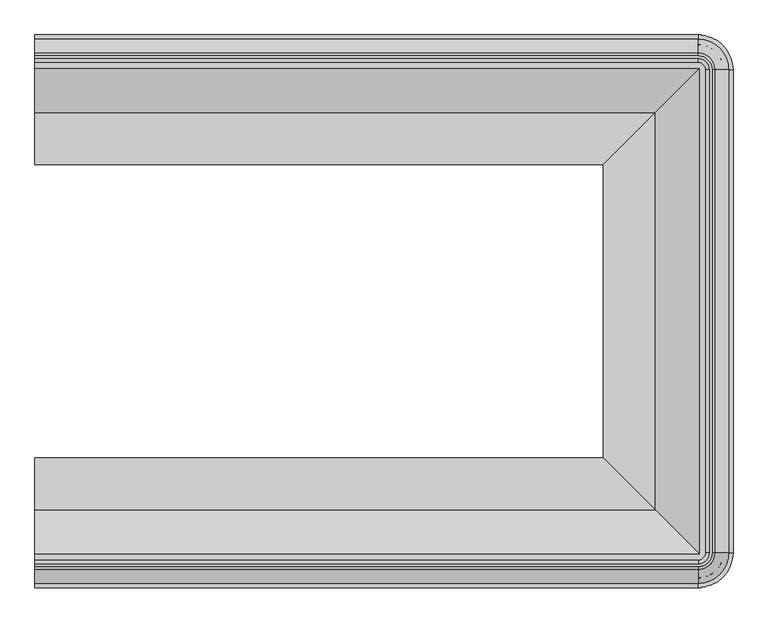
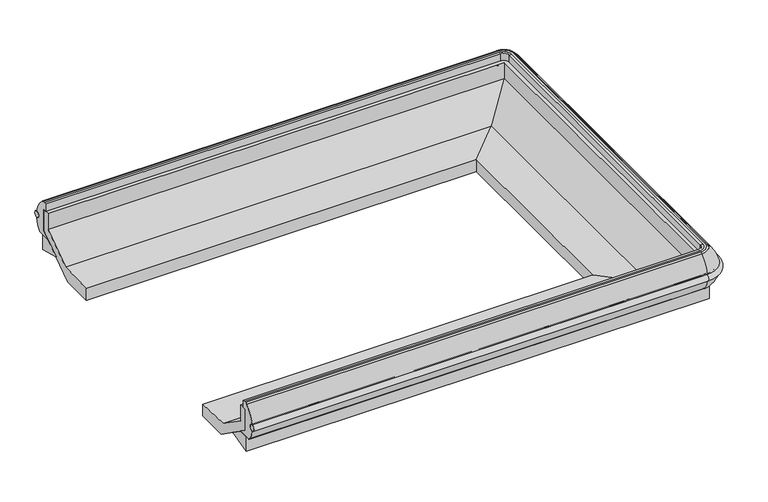
"""IFC4 building model written with IfcOpenShell, lengths in millimetres: proxy geometry."""

from ifc_helpers import new_model, si_unit, point, frame, origin, place, context, project, spatial, polyline, circle_curve, ellipse_curve, trimmed, faceted_brep, source, transform, mapped, element, save
from ifc_brep_helpers import plane_surface, cylinder_surface, revolved_surface, advanced_brep


def mechanical_equipment_aa57915c(model_context):
    return source(origin(), model_context, "Body", "SolidModel", [
        advanced_brep(
        [(0.0, -365.6059435, 602.247843), (0.0, -364.7243169, 567.3458826), (0.0, -2361.2333111, 602.247843), (0.0, -2362.1149377, 567.3458826), (2432.1002227, -365.6059435, 602.247843), (2432.1002227, -364.7243169, 567.3458826), (2544.9203104, -477.5444046, 567.3458826), (2544.0386838, -477.5444046, 602.247843), (2544.0386838, -2249.29485, 602.247843), (2544.9203104, -2249.29485, 567.3458826), (2432.1002227, -2362.1149377, 567.3458826), (2432.1002227, -2361.2333111, 602.247843)],
        [
            (0, 1, circle_curve(frame((0.0, -366.3246731, 584.7675726), z_axis=(-1.0, 0.0, 0.0), x_axis=(0.0, 1.0, 0.0)), 17.49504)),
            (1, 0, circle_curve(frame((0.0, -366.2319692, 584.7699144), z_axis=(-1.0, 0.0, 0.0), x_axis=(0.0, 1.0, 0.0)), 17.4891366)),
            (2, 3, circle_curve(frame((0.0, -2360.6072854, 584.7699144), z_axis=(-1.0, 0.0, 0.0), x_axis=(0.0, -1.0, 0.0)), 17.4891366)),
            (3, 2, circle_curve(frame((0.0, -2360.5145815, 584.7675726), z_axis=(-1.0, 0.0, 0.0), x_axis=(0.0, -1.0, 0.0)), 17.49504)),
            (0, 4),
            (4, 5, circle_curve(frame((2432.1002227, -366.3246731, 584.7675726), z_axis=(-1.0, 0.0, 0.0), x_axis=(0.0, 1.0, 0.0)), 17.49504)),
            (5, 1),
            (5, 4, circle_curve(frame((2432.1002227, -366.2319692, 584.7699144), z_axis=(-1.0, 0.0, 0.0), x_axis=(0.0, 1.0, 0.0)), 17.4891366)),
            (6, 5, circle_curve(frame((2432.1002227, -477.5444046, 567.3458826), z_axis=(0.0, 0.0, 1.0), x_axis=(0.0, 1.0, 0.0)), 112.8200877)),
            (4, 7, circle_curve(frame((2432.1002227, -477.5444046, 602.247843), z_axis=(0.0, 0.0, -1.0), x_axis=(0.0, 1.0, 0.0)), 111.9384611)),
            (7, 6, circle_curve(frame((2543.3199542, -477.5444046, 584.7675726), z_axis=(0.0, 1.0, 0.0), x_axis=(1.0, 0.0, 0.0)), 17.49504)),
            (6, 7, circle_curve(frame((2543.4126581, -477.5444046, 584.7699144), z_axis=(0.0, 1.0, 0.0), x_axis=(1.0, 0.0, 0.0)), 17.4891366)),
            (7, 8),
            (8, 9, circle_curve(frame((2543.3199542, -2249.29485, 584.7675726), z_axis=(0.0, 1.0, 0.0), x_axis=(1.0, 0.0, 0.0)), 17.49504)),
            (9, 6),
            (9, 8, circle_curve(frame((2543.4126581, -2249.29485, 584.7699144), z_axis=(0.0, 1.0, 0.0), x_axis=(1.0, 0.0, 0.0)), 17.4891366)),
            (10, 9, circle_curve(frame((2432.1002227, -2249.29485, 567.3458826), z_axis=(0.0, 0.0, 1.0), x_axis=(1.0, 0.0, 0.0)), 112.8200877)),
            (8, 11, circle_curve(frame((2432.1002227, -2249.29485, 602.247843), z_axis=(0.0, 0.0, -1.0), x_axis=(1.0, 0.0, 0.0)), 111.9384611)),
            (11, 10, circle_curve(frame((2432.1002227, -2360.5145815, 584.7675726), z_axis=(1.0, 0.0, 0.0), x_axis=(0.0, -1.0, 0.0)), 17.49504)),
            (10, 11, circle_curve(frame((2432.1002227, -2360.6072854, 584.7699144), z_axis=(1.0, 0.0, 0.0), x_axis=(0.0, -1.0, 0.0)), 17.4891366)),
            (11, 2),
            (3, 10),
        ],
        [
            plane_surface(frame((0.0, -401.3444046, 0.0), z_axis=(-1.0, 0.0, 0.0), x_axis=(0.0, 0.0, 1.0))),
            plane_surface(frame((0.0, -2325.49485, 0.0), z_axis=(-1.0, 0.0, 0.0), x_axis=(0.0, 0.0, 1.0))),
            cylinder_surface(frame((0.0, -366.3246731, 584.7675726), z_axis=(-1.0, 0.0, 0.0), x_axis=(0.0, 1.0, 0.0)), 17.49504),
            cylinder_surface(frame((0.0, -366.2319692, 584.7699144), z_axis=(-1.0, 0.0, 0.0), x_axis=(0.0, 1.0, 0.0)), 17.4891366),
            revolved_surface(trimmed(ellipse_curve(frame((2432.1002227, -366.3246731, 584.7675726), z_axis=(-1.0, 0.0, 0.0), x_axis=(0.0, 1.0, 0.0)), 17.49504, 17.49504), [point((2432.1002227, -365.6059435, 602.247843))], [point((2432.1002227, -364.7243169, 567.3458826))], True, "CARTESIAN"), (2432.1002227, -477.5444046, 0.0), (0.0, 0.0, -1.0)),
            revolved_surface(trimmed(ellipse_curve(frame((2432.1002227, -366.2319692, 584.7699144), z_axis=(-1.0, 0.0, 0.0), x_axis=(0.0, 1.0, 0.0)), 17.4891366, 17.4891366), [point((2432.1002227, -364.7243169, 567.3458826))], [point((2432.1002227, -365.6059435, 602.247843))], True, "CARTESIAN"), (2432.1002227, -477.5444046, 0.0), (0.0, 0.0, -1.0)),
            cylinder_surface(frame((2543.3199542, -477.5444046, 584.7675726), z_axis=(0.0, 1.0, 0.0), x_axis=(1.0, 0.0, 0.0)), 17.49504),
            cylinder_surface(frame((2543.4126581, -477.5444046, 584.7699144), z_axis=(0.0, 1.0, 0.0), x_axis=(1.0, 0.0, 0.0)), 17.4891366),
            revolved_surface(trimmed(ellipse_curve(frame((2543.3199542, -2249.29485, 584.7675726), z_axis=(0.0, 1.0, 0.0), x_axis=(1.0, 0.0, 0.0)), 17.49504, 17.49504), [point((2544.0386838, -2249.29485, 602.247843))], [point((2544.9203104, -2249.29485, 567.3458826))], True, "CARTESIAN"), (2432.1002227, -2249.29485, 0.0), (0.0, 0.0, -1.0)),
            revolved_surface(trimmed(ellipse_curve(frame((2543.4126581, -2249.29485, 584.7699144), z_axis=(0.0, 1.0, 0.0), x_axis=(1.0, 0.0, 0.0)), 17.4891366, 17.4891366), [point((2544.9203104, -2249.29485, 567.3458826))], [point((2544.0386838, -2249.29485, 602.247843))], True, "CARTESIAN"), (2432.1002227, -2249.29485, 0.0), (0.0, 0.0, -1.0)),
            cylinder_surface(frame((2432.1002227, -2360.5145815, 584.7675726), z_axis=(1.0, 0.0, 0.0), x_axis=(0.0, -1.0, 0.0)), 17.49504),
            cylinder_surface(frame((2432.1002227, -2360.6072854, 584.7699144), z_axis=(1.0, 0.0, 0.0), x_axis=(0.0, -1.0, 0.0)), 17.4891366),
        ],
        [
            (0, [[1, 2]]),
            (1, [[3, 4]]),
            (2, [[-1, 5, 6, 7]]),
            (3, [[-2, -7, 8, -5]]),
            (4, [[9, -6, 10, 11]]),
            (5, [[-10, -8, -9, 12]]),
            (6, [[-11, 13, 14, 15]]),
            (7, [[-12, -15, 16, -13]]),
            (8, [[17, -14, 18, 19]]),
            (9, [[-18, -16, -17, 20]]),
            (10, [[-19, 21, -4, 22]]),
            (11, [[-20, -22, -3, -21]]),
        ],
    ),
        advanced_brep(
        [(0.0, -2333.0315958, 504.5537563), (0.0, -2363.034468, 567.4500216), (0.0, -2362.8248409, 602.1178925), (0.0, -2311.7516931, 687.0777092), (0.0, -2300.9652704, 691.305018), (0.0, -2291.4402704, 691.305018), (0.0, -2277.3254027, 690.9426532), (0.0, -2277.3254027, 650.3352408), (0.0, -2294.2214353, 650.3352408), (0.0, -2294.2214353, 529.925931), (0.0, -2254.9980473, 502.405218), (0.0, -2328.2702704, 502.405218), (0.0, -393.8076588, 504.5537563), (0.0, -398.5689842, 502.405218), (0.0, -471.8412073, 502.405218), (0.0, -432.6178193, 529.925931), (0.0, -432.6178193, 650.3352408), (0.0, -449.5138519, 650.3352408), (0.0, -449.5138519, 690.9426532), (0.0, -435.3989842, 691.305018), (0.0, -425.8739842, 691.305018), (0.0, -415.0875615, 687.0777092), (0.0, -364.0144137, 602.1178925), (0.0, -363.8047866, 567.4500216), (2432.1002227, -2333.0315958, 504.5537563), (2432.1002227, -2363.034468, 567.4500216), (2432.1002227, -2362.8248409, 602.1178925), (2432.1002227, -2311.7516931, 687.0777092), (2432.1002227, -2300.9652704, 691.305018), (2483.7706431, -2249.29485, 691.305018), (2483.7706431, -477.5444046, 691.305018), (2432.1002227, -425.8739842, 691.305018), (2432.1002227, -435.3989842, 691.305018), (2474.2456431, -477.5444046, 691.305018), (2474.2456431, -2249.29485, 691.305018), (2432.1002227, -2291.4402704, 691.305018), (2432.1002227, -2277.3254027, 690.9426532), (2432.1002227, -2277.3254027, 650.3352408), (2460.1307754, -2249.29485, 650.3352408), (2460.1307754, -477.5444046, 650.3352408), (2432.1002227, -449.5138519, 650.3352408), (2432.1002227, -432.6178193, 650.3352408), (2477.026808, -477.5444046, 650.3352408), (2477.026808, -2249.29485, 650.3352408), (2432.1002227, -2294.2214353, 650.3352408), (2432.1002227, -2294.2214353, 529.925931), (2432.1002227, -2254.9980473, 502.405218), (2437.80342, -2249.29485, 502.405218), (2437.80342, -477.5444046, 502.405218), (2432.1002227, -471.8412073, 502.405218), (2432.1002227, -398.5689842, 502.405218), (2511.0756431, -477.5444046, 502.405218), (2511.0756431, -2249.29485, 502.405218), (2432.1002227, -2328.2702704, 502.405218), (2545.8398407, -2249.29485, 567.4500216), (2515.8369685, -2249.29485, 504.5537563), (2545.6302136, -2249.29485, 602.1178925), (2494.5570658, -2249.29485, 687.0777092), (2460.1307754, -2249.29485, 690.9426532), (2477.026808, -2249.29485, 529.925931), (2515.8369685, -477.5444046, 504.5537563), (2545.8398407, -477.5444046, 567.4500216), (2545.6302136, -477.5444046, 602.1178925), (2494.5570658, -477.5444046, 687.0777092), (2460.1307754, -477.5444046, 690.9426532), (2477.026808, -477.5444046, 529.925931), (2432.1002227, -363.8047866, 567.4500216), (2432.1002227, -393.8076588, 504.5537563), (2432.1002227, -364.0144137, 602.1178925), (2432.1002227, -415.0875615, 687.0777092), (2432.1002227, -449.5138519, 690.9426532), (2432.1002227, -432.6178193, 529.925931)],
        [
            (0, 1, circle_curve(frame((0.0, -2237.8050879, 588.5829906), z_axis=(-1.0, 0.0, 0.0), x_axis=(0.0, 1.0, 0.0)), 127.0)),
            (1, 2, circle_curve(frame((0.0, -2360.6072854, 584.7699144), z_axis=(1.0, 0.0, 0.0), x_axis=(0.0, 1.0, 0.0)), 17.4891366)),
            (2, 3, circle_curve(frame((0.0, -2190.9437587, 556.623568), z_axis=(-1.0, 0.0, 0.0), x_axis=(0.0, 1.0, 0.0)), 177.7999999)),
            (3, 4, circle_curve(frame((0.0, -2300.9652704, 675.430018), z_axis=(-1.0, 0.0, 0.0), x_axis=(0.0, 1.0, 0.0)), 15.875)),
            (4, 5),
            (5, 6),
            (6, 7),
            (7, 8),
            (8, 9),
            (9, 10),
            (10, 11),
            (11, 0, circle_curve(frame((0.0, -2328.2702704, 508.755218), z_axis=(-1.0, 0.0, 0.0), x_axis=(0.0, 1.0, 0.0)), 6.35)),
            (12, 13, circle_curve(frame((0.0, -398.5689842, 508.755218), z_axis=(-1.0, 0.0, 0.0), x_axis=(0.0, -1.0, 0.0)), 6.35)),
            (13, 14),
            (14, 15),
            (15, 16),
            (16, 17),
            (17, 18),
            (18, 19),
            (19, 20),
            (20, 21, circle_curve(frame((0.0, -425.8739842, 675.430018), z_axis=(-1.0, 0.0, 0.0), x_axis=(0.0, -1.0, 0.0)), 15.875)),
            (21, 22, circle_curve(frame((0.0, -535.8954959, 556.623568), z_axis=(-1.0, 0.0, 0.0), x_axis=(0.0, -1.0, 0.0)), 177.7999999)),
            (22, 23, circle_curve(frame((0.0, -366.2319692, 584.7699144), z_axis=(1.0, 0.0, 0.0), x_axis=(0.0, -1.0, 0.0)), 17.4891366)),
            (23, 12, circle_curve(frame((0.0, -489.0341667, 588.5829906), z_axis=(-1.0, 0.0, 0.0), x_axis=(0.0, -1.0, 0.0)), 127.0)),
            (0, 24),
            (24, 25, circle_curve(frame((2432.1002227, -2237.8050879, 588.5829906), z_axis=(-1.0, 0.0, 0.0), x_axis=(0.0, 1.0, 0.0)), 127.0)),
            (25, 1),
            (25, 26, circle_curve(frame((2432.1002227, -2360.6072854, 584.7699144), z_axis=(1.0, 0.0, 0.0), x_axis=(0.0, 1.0, 0.0)), 17.4891366)),
            (26, 2),
            (26, 27, circle_curve(frame((2432.1002227, -2190.9437587, 556.623568), z_axis=(-1.0, 0.0, 0.0), x_axis=(0.0, 1.0, 0.0)), 177.7999999)),
            (27, 3),
            (27, 28, circle_curve(frame((2432.1002227, -2300.9652704, 675.430018), z_axis=(-1.0, 0.0, 0.0), x_axis=(0.0, 1.0, 0.0)), 15.875)),
            (28, 4),
            (28, 29, circle_curve(frame((2432.1002227, -2249.29485, 691.305018), z_axis=(0.0, 0.0, 1.0), x_axis=(0.0, -1.0, 0.0)), 51.6704204)),
            (29, 30),
            (30, 31, circle_curve(frame((2432.1002227, -477.5444046, 691.305018), z_axis=(0.0, 0.0, 1.0), x_axis=(1.0, 0.0, 0.0)), 51.6704204)),
            (31, 20),
            (19, 32),
            (32, 33, circle_curve(frame((2432.1002227, -477.5444046, 691.305018), z_axis=(0.0, 0.0, -1.0), x_axis=(1.0, 0.0, 0.0)), 42.1454204)),
            (33, 34),
            (34, 35, circle_curve(frame((2432.1002227, -2249.29485, 691.305018), z_axis=(0.0, 0.0, -1.0), x_axis=(0.0, -1.0, 0.0)), 42.1454204)),
            (35, 5),
            (35, 36),
            (36, 6),
            (36, 37),
            (37, 7),
            (37, 38, circle_curve(frame((2432.1002227, -2249.29485, 650.3352408), z_axis=(0.0, 0.0, 1.0), x_axis=(0.0, -1.0, 0.0)), 28.0305527)),
            (38, 39),
            (39, 40, circle_curve(frame((2432.1002227, -477.5444046, 650.3352408), z_axis=(0.0, 0.0, 1.0), x_axis=(1.0, 0.0, 0.0)), 28.0305527)),
            (40, 17),
            (16, 41),
            (41, 42, circle_curve(frame((2432.1002227, -477.5444046, 650.3352408), z_axis=(0.0, 0.0, -1.0), x_axis=(1.0, 0.0, 0.0)), 44.9265852)),
            (42, 43),
            (43, 44, circle_curve(frame((2432.1002227, -2249.29485, 650.3352408), z_axis=(0.0, 0.0, -1.0), x_axis=(0.0, -1.0, 0.0)), 44.9265852)),
            (44, 8),
            (44, 45),
            (45, 9),
            (45, 46),
            (46, 10),
            (46, 47, circle_curve(frame((2432.1002227, -2249.29485, 502.405218), z_axis=(0.0, 0.0, 1.0), x_axis=(0.0, -1.0, 0.0)), 5.7031973)),
            (47, 48),
            (48, 49, circle_curve(frame((2432.1002227, -477.5444046, 502.405218), z_axis=(0.0, 0.0, 1.0), x_axis=(1.0, 0.0, 0.0)), 5.7031973)),
            (49, 14),
            (13, 50),
            (50, 51, circle_curve(frame((2432.1002227, -477.5444046, 502.405218), z_axis=(0.0, 0.0, -1.0), x_axis=(1.0, 0.0, 0.0)), 78.9754204)),
            (51, 52),
            (52, 53, circle_curve(frame((2432.1002227, -2249.29485, 502.405218), z_axis=(0.0, 0.0, -1.0), x_axis=(0.0, -1.0, 0.0)), 78.9754204)),
            (53, 11),
            (53, 24, circle_curve(frame((2432.1002227, -2328.2702704, 508.755218), z_axis=(-1.0, 0.0, 0.0), x_axis=(0.0, 1.0, 0.0)), 6.35)),
            (54, 25, circle_curve(frame((2432.1002227, -2249.29485, 567.4500216), z_axis=(0.0, 0.0, -1.0), x_axis=(0.0, -1.0, 0.0)), 113.739618)),
            (24, 55, circle_curve(frame((2432.1002227, -2249.29485, 504.5537563), z_axis=(0.0, 0.0, 1.0), x_axis=(0.0, -1.0, 0.0)), 83.7367458)),
            (55, 54, circle_curve(frame((2420.6104606, -2249.29485, 588.5829906), z_axis=(0.0, -1.0, 0.0), x_axis=(-1.0, 0.0, 0.0)), 127.0)),
            (56, 26, circle_curve(frame((2432.1002227, -2249.29485, 602.1178925), z_axis=(0.0, 0.0, -1.0), x_axis=(0.0, -1.0, 0.0)), 113.5299909)),
            (54, 56, circle_curve(frame((2543.4126581, -2249.29485, 584.7699144), z_axis=(0.0, 1.0, 0.0), x_axis=(-1.0, 0.0, 0.0)), 17.4891366)),
            (57, 27, circle_curve(frame((2432.1002227, -2249.29485, 687.0777092), z_axis=(0.0, 0.0, -1.0), x_axis=(0.0, -1.0, 0.0)), 62.4568431)),
            (56, 57, circle_curve(frame((2373.7491314, -2249.29485, 556.623568), z_axis=(0.0, -1.0, 0.0), x_axis=(-1.0, 0.0, 0.0)), 177.7999999)),
            (57, 29, circle_curve(frame((2483.7706431, -2249.29485, 675.430018), z_axis=(0.0, -1.0, 0.0), x_axis=(-1.0, 0.0, 0.0)), 15.875)),
            (58, 36, circle_curve(frame((2432.1002227, -2249.29485, 690.9426532), z_axis=(0.0, 0.0, -1.0), x_axis=(0.0, -1.0, 0.0)), 28.0305527)),
            (34, 58),
            (58, 38),
            (59, 45, circle_curve(frame((2432.1002227, -2249.29485, 529.925931), z_axis=(0.0, 0.0, -1.0), x_axis=(0.0, -1.0, 0.0)), 44.9265852)),
            (43, 59),
            (59, 47),
            (52, 55, circle_curve(frame((2511.0756431, -2249.29485, 508.755218), z_axis=(0.0, -1.0, 0.0), x_axis=(-1.0, 0.0, 0.0)), 6.35)),
            (55, 60),
            (60, 61, circle_curve(frame((2420.6104606, -477.5444046, 588.5829906), z_axis=(0.0, -1.0, 0.0), x_axis=(-1.0, 0.0, 0.0)), 127.0)),
            (61, 54),
            (61, 62, circle_curve(frame((2543.4126581, -477.5444046, 584.7699144), z_axis=(0.0, 1.0, 0.0), x_axis=(-1.0, 0.0, 0.0)), 17.4891366)),
            (62, 56),
            (62, 63, circle_curve(frame((2373.7491314, -477.5444046, 556.623568), z_axis=(0.0, -1.0, 0.0), x_axis=(-1.0, 0.0, 0.0)), 177.7999999)),
            (63, 57),
            (63, 30, circle_curve(frame((2483.7706431, -477.5444046, 675.430018), z_axis=(0.0, -1.0, 0.0), x_axis=(-1.0, 0.0, 0.0)), 15.875)),
            (33, 64),
            (64, 58),
            (64, 39),
            (42, 65),
            (65, 59),
            (65, 48),
            (51, 60, circle_curve(frame((2511.0756431, -477.5444046, 508.755218), z_axis=(0.0, -1.0, 0.0), x_axis=(-1.0, 0.0, 0.0)), 6.35)),
            (66, 61, circle_curve(frame((2432.1002227, -477.5444046, 567.4500216), z_axis=(0.0, 0.0, -1.0), x_axis=(1.0, 0.0, 0.0)), 113.739618)),
            (60, 67, circle_curve(frame((2432.1002227, -477.5444046, 504.5537563), z_axis=(0.0, 0.0, 1.0), x_axis=(1.0, 0.0, 0.0)), 83.7367458)),
            (67, 66, circle_curve(frame((2432.1002227, -489.0341667, 588.5829906), z_axis=(1.0, 0.0, 0.0), x_axis=(0.0, -1.0, 0.0)), 127.0)),
            (68, 62, circle_curve(frame((2432.1002227, -477.5444046, 602.1178925), z_axis=(0.0, 0.0, -1.0), x_axis=(1.0, 0.0, 0.0)), 113.5299909)),
            (66, 68, circle_curve(frame((2432.1002227, -366.2319692, 584.7699144), z_axis=(-1.0, 0.0, 0.0), x_axis=(0.0, -1.0, 0.0)), 17.4891366)),
            (69, 63, circle_curve(frame((2432.1002227, -477.5444046, 687.0777092), z_axis=(0.0, 0.0, -1.0), x_axis=(1.0, 0.0, 0.0)), 62.4568431)),
            (68, 69, circle_curve(frame((2432.1002227, -535.8954959, 556.623568), z_axis=(1.0, 0.0, 0.0), x_axis=(0.0, -1.0, 0.0)), 177.7999999)),
            (69, 31, circle_curve(frame((2432.1002227, -425.8739842, 675.430018), z_axis=(1.0, 0.0, 0.0), x_axis=(0.0, -1.0, 0.0)), 15.875)),
            (70, 64, circle_curve(frame((2432.1002227, -477.5444046, 690.9426532), z_axis=(0.0, 0.0, -1.0), x_axis=(1.0, 0.0, 0.0)), 28.0305527)),
            (32, 70),
            (70, 40),
            (71, 65, circle_curve(frame((2432.1002227, -477.5444046, 529.925931), z_axis=(0.0, 0.0, -1.0), x_axis=(1.0, 0.0, 0.0)), 44.9265852)),
            (41, 71),
            (71, 49),
            (50, 67, circle_curve(frame((2432.1002227, -398.5689842, 508.755218), z_axis=(1.0, 0.0, 0.0), x_axis=(0.0, -1.0, 0.0)), 6.35)),
            (67, 12),
            (23, 66),
            (22, 68),
            (21, 69),
            (18, 70),
            (15, 71),
        ],
        [
            plane_surface(frame((0.0, -2325.49485, 0.0), z_axis=(-1.0, 0.0, 0.0), x_axis=(0.0, 0.0, 1.0))),
            plane_surface(frame((0.0, -401.3444046, 0.0), z_axis=(-1.0, 0.0, 0.0), x_axis=(0.0, 0.0, 1.0))),
            cylinder_surface(frame((0.0, -2237.8050879, 588.5829906), z_axis=(-1.0, 0.0, 0.0), x_axis=(0.0, 1.0, 0.0)), 127.0),
            revolved_surface(polyline([(2432.1002227, -2343.1181487999997, 584.7699144), (0.0, -2343.1181487999997, 584.7699144)]), (0.0, -2360.6072854, 584.7699144), (1.0, 0.0, 0.0)),
            cylinder_surface(frame((0.0, -2190.9437587, 556.623568), z_axis=(-1.0, 0.0, 0.0), x_axis=(0.0, 1.0, 0.0)), 177.7999999),
            cylinder_surface(frame((0.0, -2300.9652704, 675.430018), z_axis=(-1.0, 0.0, 0.0), x_axis=(0.0, 1.0, 0.0)), 15.875),
            plane_surface(frame((0.0, -2300.9652704, 691.305018), z_axis=(0.0, 0.0, 1.0), x_axis=(1.0, 0.0, 0.0))),
            plane_surface(frame((0.0, -2291.4402704, 691.305018), z_axis=(0.0, 0.025664107244576673, 0.9996706225549188), x_axis=(1.0, 0.0, 0.0))),
            plane_surface(frame((0.0, -2277.3254027, 690.9426532), z_axis=(0.0, 1.0, 0.0), x_axis=(1.0, 0.0, 0.0))),
            plane_surface(frame((0.0, -2277.3254027, 650.3352408), z_axis=(0.0, 0.0, -1.0), x_axis=(1.0, 0.0, 0.0))),
            plane_surface(frame((0.0, -2294.2214353, 650.3352408), z_axis=(0.0, 1.0, 0.0), x_axis=(1.0, 0.0, 0.0))),
            plane_surface(frame((0.0, -2294.2214353, 529.925931), z_axis=(0.0, 0.5743632182498677, 0.8186005701938247), x_axis=(1.0, 0.0, 0.0))),
            plane_surface(frame((0.0, -2254.9980473, 502.405218), z_axis=(0.0, 0.0, -1.0), x_axis=(1.0, 0.0, 0.0))),
            cylinder_surface(frame((0.0, -2328.2702704, 508.755218), z_axis=(-1.0, 0.0, 0.0), x_axis=(0.0, 1.0, 0.0)), 6.35),
            revolved_surface(trimmed(ellipse_curve(frame((2432.1002227, -2237.8050879, 588.5829906), z_axis=(-1.0, 0.0, 0.0), x_axis=(0.0, 1.0, 0.0)), 127.0, 127.0), [point((2432.1002227, -2333.0315958, 504.5537563))], [point((2432.1002227, -2363.034468, 567.4500216))], True, "CARTESIAN"), (2432.1002227, -2249.29485, 0.0), (0.0, 0.0, 1.0)),
            revolved_surface(trimmed(ellipse_curve(frame((2432.1002227, -2360.6072854, 584.7699144), z_axis=(1.0, 0.0, 0.0), x_axis=(0.0, 1.0, 0.0)), 17.4891366, 17.4891366), [point((2432.1002227, -2363.034468, 567.4500216))], [point((2432.1002227, -2362.8248409, 602.1178925))], True, "CARTESIAN"), (2432.1002227, -2249.29485, 0.0), (0.0, 0.0, 1.0)),
            revolved_surface(trimmed(ellipse_curve(frame((2432.1002227, -2190.9437587, 556.623568), z_axis=(-1.0, 0.0, 0.0), x_axis=(0.0, 1.0, 0.0)), 177.7999999, 177.7999999), [point((2432.1002227, -2362.8248409, 602.1178925))], [point((2432.1002227, -2311.7516931, 687.0777092))], True, "CARTESIAN"), (2432.1002227, -2249.29485, 0.0), (0.0, 0.0, 1.0)),
            revolved_surface(trimmed(ellipse_curve(frame((2432.1002227, -2300.9652704, 675.430018), z_axis=(-1.0, 0.0, 0.0), x_axis=(0.0, 1.0, 0.0)), 15.875, 15.875), [point((2432.1002227, -2311.7516931, 687.0777092))], [point((2432.1002227, -2300.9652704, 691.305018))], True, "CARTESIAN"), (2432.1002227, -2249.29485, 0.0), (0.0, 0.0, 1.0)),
            revolved_surface(polyline([(2432.1002227, -2291.4402704, 691.305018), (2432.1002227, -2277.3254027, 690.9426532)]), (2432.1002227, -2249.29485, 0.0), (0.0, 0.0, 1.0)),
            revolved_surface(polyline([(2432.1002227, -2277.3254027000003, 690.9426532), (2432.1002227, -2277.3254027000003, 650.3352408)]), (2432.1002227, -2249.29485, 0.0), (0.0, 0.0, 1.0)),
            revolved_surface(polyline([(2432.1002227, -2294.2214352, 650.3352408), (2432.1002227, -2294.2214352, 529.925931)]), (2432.1002227, -2249.29485, 0.0), (0.0, 0.0, 1.0)),
            revolved_surface(polyline([(2432.1002227, -2294.2214353, 529.925931), (2432.1002227, -2254.9980473, 502.405218)]), (2432.1002227, -2249.29485, 0.0), (0.0, 0.0, 1.0)),
            revolved_surface(trimmed(ellipse_curve(frame((2432.1002227, -2328.2702704, 508.755218), z_axis=(-1.0, 0.0, 0.0), x_axis=(0.0, 1.0, 0.0)), 6.35, 6.35), [point((2432.1002227, -2328.2702704, 502.405218))], [point((2432.1002227, -2333.0315958, 504.5537563))], True, "CARTESIAN"), (2432.1002227, -2249.29485, 0.0), (0.0, 0.0, 1.0)),
            cylinder_surface(frame((2420.6104606, -2249.29485, 588.5829906), z_axis=(0.0, -1.0, 0.0), x_axis=(-1.0, 0.0, 0.0)), 127.0),
            revolved_surface(polyline([(2525.9235215, -477.5444046, 584.7699144), (2525.9235215, -2249.29485, 584.7699144)]), (2543.4126581, -2249.29485, 584.7699144), (0.0, 1.0, 0.0)),
            cylinder_surface(frame((2373.7491314, -2249.29485, 556.623568), z_axis=(0.0, -1.0, 0.0), x_axis=(-1.0, 0.0, 0.0)), 177.7999999),
            cylinder_surface(frame((2483.7706431, -2249.29485, 675.430018), z_axis=(0.0, -1.0, 0.0), x_axis=(-1.0, 0.0, 0.0)), 15.875),
            plane_surface(frame((2474.2456431, -2249.29485, 691.305018), z_axis=(-0.025664107244576673, 0.0, 0.9996706225549188), x_axis=(0.0, 1.0, 0.0))),
            plane_surface(frame((2460.1307754, -2249.29485, 690.9426532), z_axis=(-1.0, 0.0, 0.0), x_axis=(0.0, 1.0, 0.0))),
            plane_surface(frame((2477.026808, -2249.29485, 650.3352408), z_axis=(-1.0, 0.0, 0.0), x_axis=(0.0, 1.0, 0.0))),
            plane_surface(frame((2477.026808, -2249.29485, 529.925931), z_axis=(-0.5743632182498677, 0.0, 0.8186005701938247), x_axis=(0.0, 1.0, 0.0))),
            cylinder_surface(frame((2511.0756431, -2249.29485, 508.755218), z_axis=(0.0, -1.0, 0.0), x_axis=(-1.0, 0.0, 0.0)), 6.35),
            revolved_surface(trimmed(ellipse_curve(frame((2420.6104606, -477.5444046, 588.5829906), z_axis=(0.0, -1.0, 0.0), x_axis=(-1.0, 0.0, 0.0)), 127.0, 127.0), [point((2515.8369685, -477.5444046, 504.5537563))], [point((2545.8398407, -477.5444046, 567.4500216))], True, "CARTESIAN"), (2432.1002227, -477.5444046, 0.0), (0.0, 0.0, 1.0)),
            revolved_surface(trimmed(ellipse_curve(frame((2543.4126581, -477.5444046, 584.7699144), z_axis=(0.0, 1.0, 0.0), x_axis=(-1.0, 0.0, 0.0)), 17.4891366, 17.4891366), [point((2545.8398407, -477.5444046, 567.4500216))], [point((2545.6302136, -477.5444046, 602.1178925))], True, "CARTESIAN"), (2432.1002227, -477.5444046, 0.0), (0.0, 0.0, 1.0)),
            revolved_surface(trimmed(ellipse_curve(frame((2373.7491314, -477.5444046, 556.623568), z_axis=(0.0, -1.0, 0.0), x_axis=(-1.0, 0.0, 0.0)), 177.7999999, 177.7999999), [point((2545.6302136, -477.5444046, 602.1178925))], [point((2494.5570658, -477.5444046, 687.0777092))], True, "CARTESIAN"), (2432.1002227, -477.5444046, 0.0), (0.0, 0.0, 1.0)),
            revolved_surface(trimmed(ellipse_curve(frame((2483.7706431, -477.5444046, 675.430018), z_axis=(0.0, -1.0, 0.0), x_axis=(-1.0, 0.0, 0.0)), 15.875, 15.875), [point((2494.5570658, -477.5444046, 687.0777092))], [point((2483.7706431, -477.5444046, 691.305018))], True, "CARTESIAN"), (2432.1002227, -477.5444046, 0.0), (0.0, 0.0, 1.0)),
            revolved_surface(polyline([(2474.2456431, -477.5444046, 691.305018), (2460.1307754, -477.5444046, 690.9426532)]), (2432.1002227, -477.5444046, 0.0), (0.0, 0.0, 1.0)),
            revolved_surface(polyline([(2460.1307754, -477.5444046, 690.9426532), (2460.1307754, -477.5444046, 650.3352408)]), (2432.1002227, -477.5444046, 0.0), (0.0, 0.0, 1.0)),
            revolved_surface(polyline([(2477.0268078999998, -477.5444046, 650.3352408), (2477.0268078999998, -477.5444046, 529.925931)]), (2432.1002227, -477.5444046, 0.0), (0.0, 0.0, 1.0)),
            revolved_surface(polyline([(2477.026808, -477.5444046, 529.925931), (2437.80342, -477.5444046, 502.405218)]), (2432.1002227, -477.5444046, 0.0), (0.0, 0.0, 1.0)),
            revolved_surface(trimmed(ellipse_curve(frame((2511.0756431, -477.5444046, 508.755218), z_axis=(0.0, -1.0, 0.0), x_axis=(-1.0, 0.0, 0.0)), 6.35, 6.35), [point((2511.0756431, -477.5444046, 502.405218))], [point((2515.8369685, -477.5444046, 504.5537563))], True, "CARTESIAN"), (2432.1002227, -477.5444046, 0.0), (0.0, 0.0, 1.0)),
            cylinder_surface(frame((2432.1002227, -489.0341667, 588.5829906), z_axis=(1.0, 0.0, 0.0), x_axis=(0.0, -1.0, 0.0)), 127.0),
            revolved_surface(polyline([(0.0, -383.7211058, 584.7699144), (2432.1002227, -383.7211058, 584.7699144)]), (2432.1002227, -366.2319692, 584.7699144), (-1.0, 0.0, 0.0)),
            cylinder_surface(frame((2432.1002227, -535.8954959, 556.623568), z_axis=(1.0, 0.0, 0.0), x_axis=(0.0, -1.0, 0.0)), 177.7999999),
            cylinder_surface(frame((2432.1002227, -425.8739842, 675.430018), z_axis=(1.0, 0.0, 0.0), x_axis=(0.0, -1.0, 0.0)), 15.875),
            plane_surface(frame((2432.1002227, -435.3989842, 691.305018), z_axis=(0.0, -0.025664107244576673, 0.9996706225549188), x_axis=(-1.0, 0.0, 0.0))),
            plane_surface(frame((2432.1002227, -449.5138519, 690.9426532), z_axis=(0.0, -1.0, 0.0), x_axis=(-1.0, 0.0, 0.0))),
            plane_surface(frame((2432.1002227, -432.6178193, 650.3352408), z_axis=(0.0, -1.0, 0.0), x_axis=(-1.0, 0.0, 0.0))),
            plane_surface(frame((2432.1002227, -432.6178193, 529.925931), z_axis=(0.0, -0.5743632182498677, 0.8186005701938247), x_axis=(-1.0, 0.0, 0.0))),
            cylinder_surface(frame((2432.1002227, -398.5689842, 508.755218), z_axis=(1.0, 0.0, 0.0), x_axis=(0.0, -1.0, 0.0)), 6.35),
        ],
        [
            (0, [[1, 2, 3, 4, 5, 6, 7, 8, 9, 10, 11, 12]]),
            (1, [[13, 14, 15, 16, 17, 18, 19, 20, 21, 22, 23, 24]]),
            (2, [[-1, 25, 26, 27]]),
            (3, [[-2, -27, 28, 29]]),
            (4, [[-3, -29, 30, 31]]),
            (5, [[-4, -31, 32, 33]]),
            (6, [[-5, -33, 34, 35, 36, 37, -20, 38, 39, 40, 41, 42]]),
            (7, [[-6, -42, 43, 44]]),
            (8, [[-7, -44, 45, 46]]),
            (9, [[-8, -46, 47, 48, 49, 50, -17, 51, 52, 53, 54, 55]]),
            (10, [[-9, -55, 56, 57]]),
            (11, [[-10, -57, 58, 59]]),
            (12, [[-11, -59, 60, 61, 62, 63, -14, 64, 65, 66, 67, 68]]),
            (13, [[-12, -68, 69, -25]]),
            (14, [[70, -26, 71, 72]]),
            (15, [[73, -28, -70, 74]]),
            (16, [[75, -30, -73, 76]]),
            (17, [[-34, -32, -75, 77]]),
            (18, [[78, -43, -41, 79]]),
            (19, [[-47, -45, -78, 80]]),
            (20, [[81, -56, -54, 82]]),
            (21, [[-60, -58, -81, 83]]),
            (22, [[-71, -69, -67, 84]]),
            (23, [[-72, 85, 86, 87]]),
            (24, [[-74, -87, 88, 89]]),
            (25, [[-76, -89, 90, 91]]),
            (26, [[-77, -91, 92, -35]]),
            (27, [[-79, -40, 93, 94]]),
            (28, [[-80, -94, 95, -48]]),
            (29, [[-82, -53, 96, 97]]),
            (30, [[-83, -97, 98, -61]]),
            (31, [[-84, -66, 99, -85]]),
            (32, [[100, -86, 101, 102]]),
            (33, [[103, -88, -100, 104]]),
            (34, [[105, -90, -103, 106]]),
            (35, [[-36, -92, -105, 107]]),
            (36, [[108, -93, -39, 109]]),
            (37, [[-49, -95, -108, 110]]),
            (38, [[111, -96, -52, 112]]),
            (39, [[-62, -98, -111, 113]]),
            (40, [[-101, -99, -65, 114]]),
            (41, [[-102, 115, -24, 116]]),
            (42, [[-104, -116, -23, 117]]),
            (43, [[-106, -117, -22, 118]]),
            (44, [[-107, -118, -21, -37]]),
            (45, [[-109, -38, -19, 119]]),
            (46, [[-110, -119, -18, -50]]),
            (47, [[-112, -51, -16, 120]]),
            (48, [[-113, -120, -15, -63]]),
            (49, [[-114, -64, -13, -115]]),
        ],
    ),
        faceted_brep([(0.0, -2255.4277812, 502.405218), (0.0, -2181.4705446, 450.5138342), (0.0, -2306.659561, 418.2976265), (0.0, -2306.659561, 502.405218), (2474.045373, -2306.659561, 502.405218), (2474.045373, -420.1796936, 502.405218), (0.0, -420.1796936, 502.405218), (0.0, -471.4114734, 502.405218), (2422.8135932, -471.4114734, 502.405218), (2422.8135932, -2255.4277812, 502.405218), (2348.8563566, -2181.4705446, 450.5138342), (2474.045373, -2306.659561, 418.2976265), (2348.8563566, -545.36871, 450.5138342), (2474.045373, -420.1796936, 418.2976265), (0.0, -420.1796936, 418.2976265), (0.0, -545.36871, 450.5138342)], [[[0, 1, 2, 3]], [[0, 3, 4, 5, 6, 7, 8, 9]], [[1, 0, 9, 10]], [[2, 1, 10, 11]], [[10, 9, 8, 12]], [[11, 10, 12, 13]], [[7, 6, 14, 15]], [[12, 8, 7, 15]], [[13, 12, 15, 14]], [[3, 2, 11, 4]], [[4, 11, 13, 5]], [[5, 13, 14, 6]]]),
        faceted_brep([(0.0, -2072.917282, 374.65), (0.0, -2294.2214353, 529.925931), (0.0, -2294.2214353, 650.3352408), (0.0, -2255.8801353, 650.3352408), (0.0, -2255.8801353, 561.4683528), (0.0, -2093.1642244, 447.5334174), (0.0, -1901.8970159, 440.5122096), (0.0, -1901.8970159, 374.65), (2255.7226548, -2072.917282, 374.65), (2477.026808, -2294.2214353, 529.925931), (2477.026808, -2294.2214353, 650.3352408), (2477.026808, -432.6178193, 650.3352408), (0.0, -432.6178193, 650.3352408), (0.0, -470.9591193, 650.3352408), (2438.685508, -470.9591193, 650.3352408), (2438.685508, -2255.8801353, 650.3352408), (2438.685508, -2255.8801353, 561.4683528), (2275.9695971, -2093.1642244, 447.5334174), (2084.7023886, -1901.8970159, 440.5122096), (2084.7023886, -1901.8970159, 374.65), (2084.7023886, -824.9422387, 374.65), (0.0, -824.9422387, 374.65), (0.0, -653.9219725, 374.65), (2255.7226548, -653.9219725, 374.65), (2477.026808, -432.6178193, 529.925931), (2438.685508, -470.9591193, 561.4683528), (2275.9695971, -633.6750302, 447.5334174), (2084.7023886, -824.9422387, 440.5122096), (0.0, -824.9422387, 440.5122096), (0.0, -633.6750302, 447.5334174), (0.0, -470.9591193, 561.4683528), (0.0, -432.6178193, 529.925931)], [[[0, 1, 2, 3, 4, 5, 6, 7]], [[1, 0, 8, 9]], [[2, 1, 9, 10]], [[3, 2, 10, 11, 12, 13, 14, 15]], [[4, 3, 15, 16]], [[5, 4, 16, 17]], [[6, 5, 17, 18]], [[7, 6, 18, 19]], [[0, 7, 19, 20, 21, 22, 23, 8]], [[9, 8, 23, 24]], [[10, 9, 24, 11]], [[16, 15, 14, 25]], [[17, 16, 25, 26]], [[18, 17, 26, 27]], [[19, 18, 27, 20]], [[22, 21, 28, 29, 30, 13, 12, 31]], [[24, 23, 22, 31]], [[11, 24, 31, 12]], [[25, 14, 13, 30]], [[26, 25, 30, 29]], [[27, 26, 29, 28]], [[20, 27, 28, 21]]]),
    ])


if __name__ == "__main__":
    model = new_model("IFC4")
    model_context = context("Model", 3, world=origin())
    ifc_project = project(units=[si_unit("LENGTHUNIT", "METRE", prefix="MILLI")], contexts=[model_context])
    site = spatial("IfcSite", under=ifc_project)
    building = spatial("IfcBuilding", under=site)
    placement = place(None, origin())
    mechanical_equipment_shape = mechanical_equipment_aa57915c(model_context)
    element("IfcBuildingElementProxy", 1, Name="Mechanical Equipment", at=placement, inside=building, context=model_context, shape_type="MappedRepresentation", body=[
        mapped(mechanical_equipment_shape, transform((0.0, 0.0, 0.0), x_axis=(1.0, 0.0, 0.0), y_axis=(0.0, 1.0, 0.0), z_axis=(0.0, 0.0, 1.0))),
    ])
    save(model, "model.ifc")
